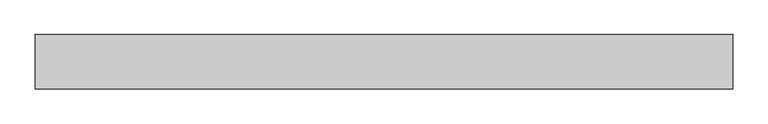
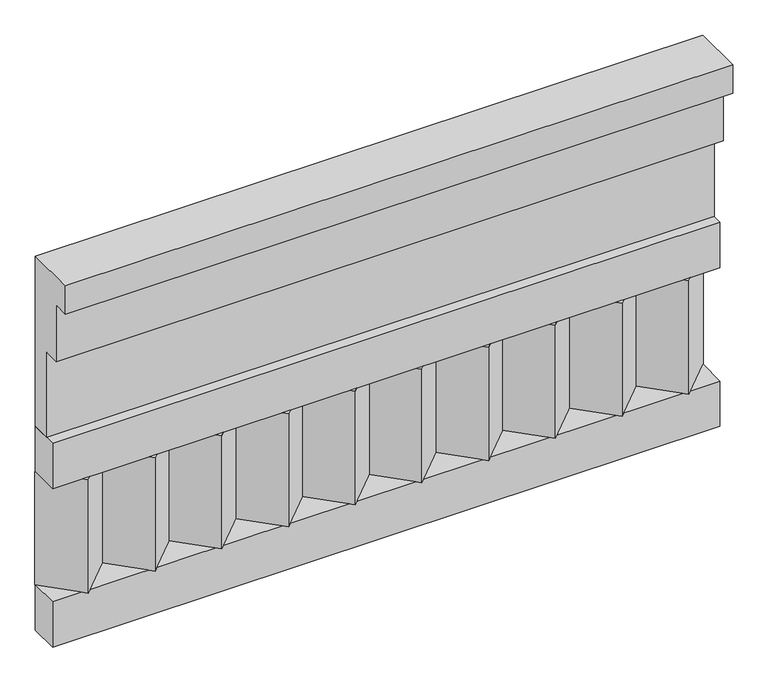
"""IFC4 building model written with IfcOpenShell, lengths in millimetres: railing geometry."""

from ifc_helpers import new_model, si_unit, frame, origin, place, context, project, spatial, polyline, outline, extrude, source, transform, mapped, element, save


def railing_fe533ce5(model_context):
    return source(origin(), model_context, "Body", "SweptSolid", [
        extrude(outline(polyline([(-16816.8920513, 27830.0), (-16816.8920513, 27380.0), (-16866.8920513, 27380.0), (-16866.8920513, 27605.0), (-16906.8920513, 27605.0), (-16906.8920513, 27755.0), (-16946.8920513, 27755.0), (-16946.8920513, 27830.0), (-16816.8920513, 27830.0)])), frame((5490.0112841, 0.0, 0.0), z_axis=(1.0, 0.0, 0.0), x_axis=(0.0, 1.0, 0.0)), (0.0, 0.0, 1.0), 1670.0),
        extrude(outline(polyline([(5490.0112841, -16891.8920513), (5490.0112841, -16816.8920513), (7160.0112841, -16816.8920513), (7160.0112841, -16891.8920513), (5490.0112841, -16891.8920513)])), frame((0.0, 0.0, 27260.0), z_axis=(0.0, 0.0, 1.0), x_axis=(1.0, 0.0, 0.0)), (0.0, 0.0, 1.0), 120.0),
        extrude(outline(polyline([(5490.0112841, -16891.8920513), (5490.0112841, -16816.8920513), (7160.0112841, -16816.8920513), (7160.0112841, -16891.8920513), (5490.0112841, -16891.8920513)])), frame((0.0, 0.0, 26840.0), z_axis=(0.0, 0.0, 1.0), x_axis=(1.0, 0.0, 0.0)), (0.0, 0.0, 1.0), 120.0),
        extrude(outline(polyline([(7076.5112841, -16901.7448651), (6991.6584704, -16816.8920513), (7161.3640978, -16816.8920513), (7076.5112841, -16901.7448651)])), frame((0.0, 0.0, 26960.0), z_axis=(0.0, 0.0, 1.0), x_axis=(1.0, 0.0, 0.0)), (0.0, 0.0, 1.0), 300.0),
        extrude(outline(polyline([(6909.5112841, -16901.7448651), (6824.6584704, -16816.8920513), (6994.3640978, -16816.8920513), (6909.5112841, -16901.7448651)])), frame((0.0, 0.0, 26960.0), z_axis=(0.0, 0.0, 1.0), x_axis=(1.0, 0.0, 0.0)), (0.0, 0.0, 1.0), 300.0),
        extrude(outline(polyline([(6742.5112841, -16901.7448651), (6657.6584704, -16816.8920513), (6827.3640978, -16816.8920513), (6742.5112841, -16901.7448651)])), frame((0.0, 0.0, 26960.0), z_axis=(0.0, 0.0, 1.0), x_axis=(1.0, 0.0, 0.0)), (0.0, 0.0, 1.0), 300.0),
        extrude(outline(polyline([(6575.5112841, -16901.7448651), (6490.6584704, -16816.8920513), (6660.3640978, -16816.8920513), (6575.5112841, -16901.7448651)])), frame((0.0, 0.0, 26960.0), z_axis=(0.0, 0.0, 1.0), x_axis=(1.0, 0.0, 0.0)), (0.0, 0.0, 1.0), 300.0),
        extrude(outline(polyline([(6408.5112841, -16901.7448651), (6323.6584704, -16816.8920513), (6493.3640978, -16816.8920513), (6408.5112841, -16901.7448651)])), frame((0.0, 0.0, 26960.0), z_axis=(0.0, 0.0, 1.0), x_axis=(1.0, 0.0, 0.0)), (0.0, 0.0, 1.0), 300.0),
        extrude(outline(polyline([(6241.5112841, -16901.7448651), (6156.6584704, -16816.8920513), (6326.3640978, -16816.8920513), (6241.5112841, -16901.7448651)])), frame((0.0, 0.0, 26960.0), z_axis=(0.0, 0.0, 1.0), x_axis=(1.0, 0.0, 0.0)), (0.0, 0.0, 1.0), 300.0),
        extrude(outline(polyline([(6074.5112841, -16901.7448651), (5989.6584704, -16816.8920513), (6159.3640978, -16816.8920513), (6074.5112841, -16901.7448651)])), frame((0.0, 0.0, 26960.0), z_axis=(0.0, 0.0, 1.0), x_axis=(1.0, 0.0, 0.0)), (0.0, 0.0, 1.0), 300.0),
        extrude(outline(polyline([(5907.5112841, -16901.7448651), (5822.6584704, -16816.8920513), (5992.3640978, -16816.8920513), (5907.5112841, -16901.7448651)])), frame((0.0, 0.0, 26960.0), z_axis=(0.0, 0.0, 1.0), x_axis=(1.0, 0.0, 0.0)), (0.0, 0.0, 1.0), 300.0),
        extrude(outline(polyline([(5740.5112841, -16901.7448651), (5655.6584704, -16816.8920513), (5825.3640978, -16816.8920513), (5740.5112841, -16901.7448651)])), frame((0.0, 0.0, 26960.0), z_axis=(0.0, 0.0, 1.0), x_axis=(1.0, 0.0, 0.0)), (0.0, 0.0, 1.0), 300.0),
        extrude(outline(polyline([(5573.5112841, -16901.7448651), (5488.6584704, -16816.8920513), (5658.3640978, -16816.8920513), (5573.5112841, -16901.7448651)])), frame((0.0, 0.0, 26960.0), z_axis=(0.0, 0.0, 1.0), x_axis=(1.0, 0.0, 0.0)), (0.0, 0.0, 1.0), 300.0),
    ])


if __name__ == "__main__":
    model = new_model("IFC4")
    model_context = context("Model", 3, world=origin())
    ifc_project = project(units=[si_unit("LENGTHUNIT", "METRE", prefix="MILLI")], contexts=[model_context])
    site = spatial("IfcSite", under=ifc_project)
    building = spatial("IfcBuilding", under=site)
    placement = place(None, origin())
    railing_shape = railing_fe533ce5(model_context)
    element("IfcRailing", 1, at=placement, inside=building, context=model_context, shape_type="MappedRepresentation", body=[
        mapped(railing_shape, transform((0.0, 0.0, 0.0), x_axis=(1.0, 0.0, 0.0), y_axis=(0.0, 1.0, 0.0), z_axis=(0.0, 0.0, 1.0))),
    ])
    save(model, "model.ifc")
